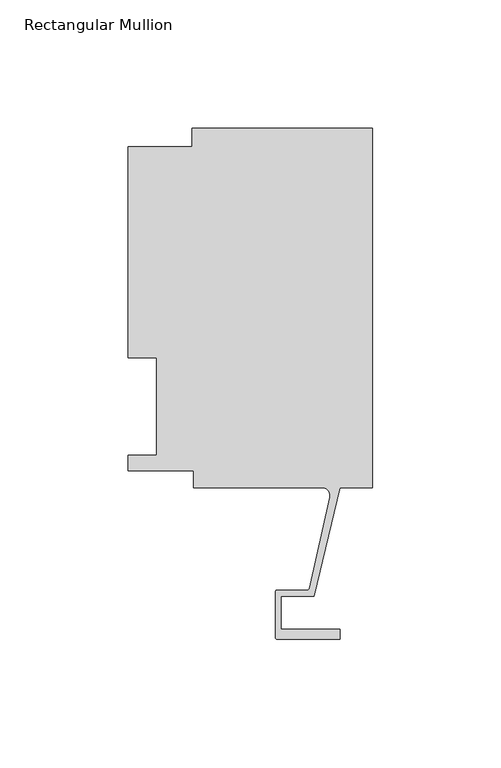
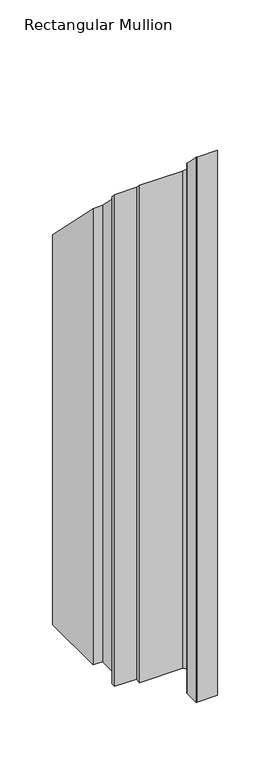
"""IFC4 building model written with IfcOpenShell, lengths in millimetres: member geometry, Rectangular Mullion."""

import ifcopenshell
import ifcopenshell.guid

model = None  # the IFC model being written
_history = None  # IfcOwnerHistory: only IFC2X3 demands one
_inside = {}  # id of a spatial element -> (the spatial element, [elements in it])
_under = {}  # id of a project, library or spatial element -> (it, [spatial elements below it])
_declared = {}  # id of a project -> (the project, [libraries it declares])
_typed = {}  # id of a type object -> (the type object, [elements of that type])
_made_of = {}  # id of a material, layer set ... -> (it, [elements and type objects made of it])


def new_model(schema):
    """Start an empty IFC model of exactly this schema.

    Asked for "IFC4X3", IfcOpenShell would pick the latest addendum, in which some entities
    have other attributes; the version numbers below select the first issue.
    IFC2X3 requires an IfcOwnerHistory on every rooted entity: one is made here for all.
    """
    global model, _history
    if schema == "IFC4X3":
        model = ifcopenshell.file(schema_version=(4, 3, 0, 0))
    else:
        model = ifcopenshell.file(schema=schema)
    _inside.clear()
    _under.clear()
    _declared.clear()
    _typed.clear()
    _made_of.clear()
    _history = None
    if model.schema == "IFC2X3":
        org = make("IfcOrganization", Name="unknown")
        user = make(
            "IfcPersonAndOrganization",
            ThePerson=make("IfcPerson", FamilyName="unknown"),
            TheOrganization=org,
        )
        app = make(
            "IfcApplication",
            ApplicationDeveloper=org,
            Version="unknown",
            ApplicationFullName="unknown",
            ApplicationIdentifier="unknown",
        )
        _history = make(
            "IfcOwnerHistory",
            OwningUser=user,
            OwningApplication=app,
            ChangeAction="ADDED",
            CreationDate=0,
        )
    return model


def make(cls, **values):
    """One entity of the class cls with the attributes given. An attribute that is None is left unset."""
    return model.create_entity(
        cls, **{name: value for name, value in values.items() if value is not None}
    )


def rooted(cls, **values):
    """An entity with a GlobalId (a new one), such as an element, a storey or a relation."""
    return make(cls, GlobalId=ifcopenshell.guid.new(), OwnerHistory=_history, **values)


def si_unit(unit_type, name, prefix=None):
    """IfcSIUnit, for example si_unit("LENGTHUNIT", "METRE", prefix="MILLI")."""
    return make("IfcSIUnit", UnitType=unit_type, Prefix=prefix, Name=name)


def assignment(units):
    """IfcUnitAssignment: the units of a project."""
    return None if units is None else make("IfcUnitAssignment", Units=units)


def point(xyz):
    """IfcCartesianPoint."""
    return None if xyz is None else make("IfcCartesianPoint", Coordinates=xyz)


def direction(xyz):
    """IfcDirection."""
    return None if xyz is None else make("IfcDirection", DirectionRatios=xyz)


def frame(location, z_axis=None, x_axis=None):
    """IfcAxis2Placement3D, a coordinate frame: its origin and axes. An axis left out is left unset."""
    return make(
        "IfcAxis2Placement3D",
        Location=point(location),
        Axis=direction(z_axis),
        RefDirection=direction(x_axis),
    )


def origin():
    """The frame at (0, 0, 0) with its axes left unset."""
    return frame((0.0, 0.0, 0.0))


def place(relative_to, where):
    """IfcLocalPlacement: puts the frame where relative to a parent placement (None: the world)."""
    return make(
        "IfcLocalPlacement", PlacementRelTo=relative_to, RelativePlacement=where
    )


def context(
    kind, dimensions, precision=None, world=None, true_north=None, identifier=None
):
    """IfcGeometricRepresentationContext, for example the 3D "Model" context."""
    return make(
        "IfcGeometricRepresentationContext",
        ContextIdentifier=identifier,
        ContextType=kind,
        CoordinateSpaceDimension=dimensions,
        Precision=precision,
        WorldCoordinateSystem=world,
        TrueNorth=true_north,
    )


def project(units=None, contexts=None):
    """IfcProject with its units and contexts."""
    return rooted(
        "IfcProject",
        Name="project",
        RepresentationContexts=contexts,
        UnitsInContext=assignment(units),
    )


def spatial(cls, under=None, at=None, **own):
    """A site, building, storey or space (cls), placed at a placement, below another one or the project."""
    s = rooted(cls, ObjectPlacement=at, **own)
    if under is not None:
        _under.setdefault(under.id(), (under, []))[1].append(s)
    return s


def polyline(points):
    """IfcPolyline through the points."""
    return make("IfcPolyline", Points=[point(p) for p in points])


def circle_curve(where, radius):
    """IfcCircle in the frame where."""
    return make("IfcCircle", Position=where, Radius=radius)


def ellipse_curve(where, semi_axis1, semi_axis2):
    """IfcEllipse in the frame where."""
    return make(
        "IfcEllipse", Position=where, SemiAxis1=semi_axis1, SemiAxis2=semi_axis2
    )


def shape(context_of_items, identifier, shape_type, items):
    """IfcShapeRepresentation: the items that make up one representation, for example the "Body"."""
    return make(
        "IfcShapeRepresentation",
        ContextOfItems=context_of_items,
        RepresentationIdentifier=identifier,
        RepresentationType=shape_type,
        Items=items,
    )


def source(mapping_origin, context_of_items, identifier, shape_type, items):
    """IfcRepresentationMap: a shape defined once, which mapped items show again and again."""
    return make(
        "IfcRepresentationMap",
        MappingOrigin=mapping_origin,
        MappedRepresentation=shape(context_of_items, identifier, shape_type, items),
    )


def transform(
    local_origin,
    x_axis=None,
    y_axis=None,
    z_axis=None,
    scale=None,
    scale2=None,
    scale3=None,
    uniform=True,
):
    """IfcCartesianTransformationOperator3D, or its non-uniform kind. x_axis, y_axis, z_axis: its Axis1, 2, 3."""
    if uniform:
        return make(
            "IfcCartesianTransformationOperator3D",
            Axis1=direction(x_axis),
            Axis2=direction(y_axis),
            LocalOrigin=point(local_origin),
            Scale=scale,
            Axis3=direction(z_axis),
        )
    return make(
        "IfcCartesianTransformationOperator3DnonUniform",
        Axis1=direction(x_axis),
        Axis2=direction(y_axis),
        LocalOrigin=point(local_origin),
        Scale=scale,
        Axis3=direction(z_axis),
        Scale2=scale2,
        Scale3=scale3,
    )


def mapped(mapping_source, mapping_target):
    """IfcMappedItem: shows the shape of a source again, moved by a transform."""
    return make(
        "IfcMappedItem", MappingSource=mapping_source, MappingTarget=mapping_target
    )


def made_of(thing, what):
    """Note that an element or type object is made of a material, layer set ...; save() writes the relation."""
    if what is not None:
        _made_of.setdefault(what.id(), (what, []))[1].append(thing)
    return thing


def element(
    cls,
    number,
    at=None,
    inside=None,
    cuts=None,
    type_object=None,
    material=None,
    context=None,
    identifier="Body",
    shape_type=None,
    held_by="IfcProductDefinitionShape",
    body=None,
    shapes=None,
    **own,
):
    """One element of the class cls, such as IfcWall. Its Tag is "e" and its number.

    at: its placement. inside: the storey or other place that contains it. cuts: it is an
    opening in that element (IfcRelVoidsElement). A single representation is given by context,
    identifier, shape_type and body (its items); several are given by shapes. held_by: the class
    of the entity that holds the representations. save() writes the other relations.
    """
    e = rooted(cls, Tag="e%d" % number, ObjectPlacement=at, **own)
    if body is not None:
        shapes = [shape(context, identifier, shape_type, body)]
    if shapes is not None:
        e.Representation = make(held_by, Representations=shapes)
    if inside is not None:
        _inside.setdefault(inside.id(), (inside, []))[1].append(e)
    if cuts is not None:
        rooted(
            "IfcRelVoidsElement", RelatingBuildingElement=cuts, RelatedOpeningElement=e
        )
    if type_object is not None:
        _typed.setdefault(type_object.id(), (type_object, []))[1].append(e)
    return made_of(e, material)


def aggregate(whole, parts):
    """IfcRelAggregates: a whole, such as a stair, and the parts it consists of."""
    return rooted("IfcRelAggregates", RelatingObject=whole, RelatedObjects=parts)


def save(model, path):
    """Write the relations noted so far, then the file.

    IfcRelAggregates (storeys below a building ...), IfcRelContainedInSpatialStructure (elements
    in a storey), IfcRelDefinesByType, IfcRelAssociatesMaterial and IfcRelDeclares: one each for
    every whole, place, type object, material and project.
    """
    for whole, parts in _under.values():
        aggregate(whole, parts)
    for where, things in _inside.values():
        rooted(
            "IfcRelContainedInSpatialStructure",
            RelatedElements=things,
            RelatingStructure=where,
        )
    for kind, things in _typed.values():
        rooted("IfcRelDefinesByType", RelatedObjects=things, RelatingType=kind)
    for what, things in _made_of.values():
        rooted("IfcRelAssociatesMaterial", RelatedObjects=things, RelatingMaterial=what)
    for by, libraries in _declared.values():
        rooted("IfcRelDeclares", RelatingContext=by, RelatedDefinitions=libraries)
    model.write(path)


def plane_surface(at):
    """IfcPlane: the flat surface through the origin of the frame at, square to its z axis."""
    return make("IfcPlane", Position=at)


def cylinder_surface(at, radius):
    """IfcCylindricalSurface: all points at the distance radius from the z axis of the frame at."""
    return make("IfcCylindricalSurface", Position=at, Radius=radius)


def revolved_surface(curve, axis_point, axis_direction):
    """IfcSurfaceOfRevolution: the curve turned about the line through axis_point along axis_direction."""
    return make(
        "IfcSurfaceOfRevolution",
        SweptCurve=make("IfcArbitraryOpenProfileDef", ProfileType="CURVE", Curve=curve),
        AxisPosition=make("IfcAxis1Placement", Location=point(axis_point), Axis=direction(axis_direction)),
    )


def advanced_brep(points, edges, surfaces, faces):
    """IfcAdvancedBrep: a solid bounded by faces that lie on surfaces and meet in shared edges.

    An edge is (start, end): straight between two places in points (the first is 0);
    or (start, end, curve); or (start, end, curve, False) where it runs against its curve.
    A face is (place in surfaces, loops), or (place, loops, False) where it looks against
    its surface's normal. A loop lists edges by number (the first is 1), with a minus sign
    where the edge is run from its end to its start. The first loop is the outer one.
    """
    corners = [point(p) for p in points]
    vertices = [make("IfcVertexPoint", VertexGeometry=c) for c in corners]
    made = []
    for start, end, *more in edges:
        made.append(
            make(
                "IfcEdgeCurve",
                EdgeStart=vertices[start],
                EdgeEnd=vertices[end],
                EdgeGeometry=more[0] if more else make("IfcPolyline", Points=[corners[start], corners[end]]),
                SameSense=more[1] if len(more) > 1 else True,
            )
        )
    hull = []
    for where, loops, *sense in faces:
        bounds = []
        for j, loop in enumerate(loops):
            ring = [make("IfcOrientedEdge", EdgeElement=made[abs(k) - 1], Orientation=k > 0) for k in loop]
            bounds.append(
                make(
                    "IfcFaceOuterBound" if j == 0 else "IfcFaceBound",
                    Bound=make("IfcEdgeLoop", EdgeList=ring),
                    Orientation=True,
                )
            )
        hull.append(make("IfcAdvancedFace", Bounds=bounds, FaceSurface=surfaces[where], SameSense=sense[0] if sense else True))
    return make("IfcAdvancedBrep", Outer=make("IfcClosedShell", CfsFaces=hull))


def rectangular_mullion_c2098d15(model_context):
    return source(origin(), model_context, "Body", "AdvancedBrep", [
        advanced_brep(
        [(-70.3072, 133.731, -609.6), (0.0, 133.731, -609.6), (0.0, -6.2260967, -609.6), (-12.7, -6.2260967, -609.6), (-22.7594087, -48.4979562, -609.6), (-35.5718677, -48.4979562, -609.6), (-35.5718677, -61.4061977, -609.6), (-12.7611926, -61.4061977, -609.6), (-12.7611926, -65.3939977, -609.6), (-37.0704677, -65.3939977, -609.6), (-37.8578677, -64.6065977, -609.6), (-37.8578677, -46.9739562, -609.6), (-37.0958677, -46.2119562, -609.6), (-25.3893173, -46.2119562, -609.6), (-24.6514289, -45.6401264, -609.6), (-16.585275, -10.1038947, -609.6), (-19.681515, -6.2260979, -609.6), (-69.85, -6.2260979, -609.6), (-69.85, 0.4064, -609.6), (-95.25, 0.4064, -609.6), (-95.25, 6.35, -609.6), (-84.1375, 6.35, -609.6), (-84.1375, 44.45, -609.6), (-95.25, 44.45, -609.6), (-95.25, 126.619, -609.6), (-70.3072, 126.619, -609.6), (-70.3072, 126.619, -126.619), (-70.3072, 133.731, -133.731), (-95.25, 126.619, -126.619), (-95.25, 44.45, -44.45), (-84.1375, 44.45, -44.45), (-84.1375, 6.35, -6.35), (-95.25, 6.35, -6.35), (-95.25, 0.4064, -0.4064), (-69.85, 0.4064, -0.4064), (-69.85, -6.2260979, 6.2260979), (-19.681515, -6.2260979, 6.2260979), (-16.585275, -10.1038947, 10.1038947), (-24.6514289, -45.6401264, 45.6401264), (-25.3893173, -46.2119562, 46.2119562), (-37.0958677, -46.2119562, 46.2119562), (-37.8578677, -46.9739562, 46.9739562), (-37.8578677, -64.6065977, 64.6065977), (-37.0704677, -65.3939977, 65.3939977), (-12.7611926, -65.3939977, 65.3939977), (-12.7611926, -61.4061977, 61.4061977), (-35.5718677, -61.4061977, 61.4061977), (-35.5718677, -48.4979562, 48.4979562), (-22.7594087, -48.4979562, 48.4979562), (-12.7, -6.2260967, 6.2260967), (0.0, -6.2260967, 6.2260967), (0.0, 133.731, -133.731)],
        [
            (0, 1),
            (1, 2),
            (2, 3),
            (3, 4),
            (4, 5),
            (5, 6),
            (6, 7),
            (7, 8),
            (8, 9),
            (9, 10, circle_curve(frame((-37.0704677, -64.6065977, -609.6), z_axis=(0.0, 0.0, -1.0), x_axis=(0.0, 1.0, 0.0)), 0.7874)),
            (10, 11),
            (11, 12, circle_curve(frame((-37.0958677, -46.9739562, -609.6), z_axis=(0.0, 0.0, -1.0), x_axis=(0.0, 1.0, 0.0)), 0.762)),
            (12, 13),
            (13, 14, circle_curve(frame((-25.3679884, -45.4774789, -609.6), z_axis=(0.0, 0.0, 1.0), x_axis=(0.0, 1.0, 0.0)), 0.7347869)),
            (14, 15),
            (15, 16, circle_curve(frame((-19.681515, -9.4010979, -609.6), z_axis=(0.0, 0.0, 1.0), x_axis=(0.0, 1.0, 0.0)), 3.175)),
            (16, 17),
            (17, 18),
            (18, 19),
            (19, 20),
            (20, 21),
            (21, 22),
            (22, 23),
            (23, 24),
            (24, 25),
            (25, 0),
            (26, 27),
            (27, 0),
            (25, 26),
            (28, 26),
            (24, 28),
            (29, 28),
            (23, 29),
            (30, 29),
            (22, 30),
            (31, 30),
            (21, 31),
            (32, 31),
            (20, 32),
            (33, 32),
            (19, 33),
            (34, 33),
            (18, 34),
            (35, 34),
            (17, 35),
            (36, 35),
            (16, 36),
            (37, 36, ellipse_curve(frame((-19.681515, -9.4010979, 9.4010979), z_axis=(0.0, 0.7071067811865471, 0.707106781186548), x_axis=(0.0, 0.707106781186548, -0.707106781186547)), 4.4901281, 3.175)),
            (15, 37),
            (38, 37),
            (14, 38),
            (39, 38, ellipse_curve(frame((-25.3679884, -45.4774789, 45.4774789), z_axis=(0.0, 0.7071067811865471, 0.707106781186548), x_axis=(0.0, 0.707106781186548, -0.707106781186547)), 1.0391456, 0.7347869)),
            (13, 39),
            (40, 39),
            (12, 40),
            (41, 40, ellipse_curve(frame((-37.0958677, -46.9739562, 46.9739562), z_axis=(0.0, -0.7071067811865471, -0.707106781186548), x_axis=(0.0, -0.707106781186548, 0.707106781186547)), 1.0776307, 0.762)),
            (11, 41),
            (42, 41),
            (10, 42),
            (43, 42, ellipse_curve(frame((-37.0704677, -64.6065977, 64.6065977), z_axis=(0.0, -0.7071067811865471, -0.707106781186548), x_axis=(0.0, -0.707106781186548, 0.707106781186547)), 1.1135518, 0.7874)),
            (9, 43),
            (44, 43),
            (8, 44),
            (45, 44),
            (7, 45),
            (46, 45),
            (6, 46),
            (47, 46),
            (5, 47),
            (48, 47),
            (4, 48),
            (49, 48),
            (3, 49),
            (50, 49),
            (2, 50),
            (51, 50),
            (1, 51),
            (27, 51),
        ],
        [
            plane_surface(frame((0.0, -158.4453649, -609.6), z_axis=(0.0, 0.0, -1.0), x_axis=(-1.0, 0.0, 0.0))),
            plane_surface(frame((-70.3072, 133.731, 0.0), z_axis=(-1.0, 0.0, 0.0), x_axis=(0.0, 0.0, -1.0))),
            plane_surface(frame((-70.3072, 126.619, 0.0), z_axis=(0.0, 1.0, 0.0), x_axis=(0.0, 0.0, -1.0))),
            plane_surface(frame((-95.25, 126.619, 0.0), z_axis=(-1.0, 0.0, 0.0), x_axis=(0.0, 0.0, -1.0))),
            plane_surface(frame((-95.25, 44.45, 0.0), z_axis=(0.0, -1.0, 0.0), x_axis=(0.0, 0.0, -1.0))),
            plane_surface(frame((-84.1375, 44.45, 0.0), z_axis=(-1.0, 0.0, 0.0), x_axis=(0.0, 0.0, -1.0))),
            plane_surface(frame((-84.1375, 6.35, 0.0), z_axis=(0.0, 1.0, 0.0), x_axis=(0.0, 0.0, -1.0))),
            plane_surface(frame((-95.25, 6.35, 0.0), z_axis=(-1.0, 0.0, 0.0), x_axis=(0.0, 0.0, -1.0))),
            plane_surface(frame((-95.25, 0.4064, 0.0), z_axis=(0.0, -1.0, 0.0), x_axis=(0.0, 0.0, -1.0))),
            plane_surface(frame((-69.85, 0.4064, 0.0), z_axis=(-1.0, 0.0, 0.0), x_axis=(0.0, 0.0, -1.0))),
            plane_surface(frame((-69.85, -6.2260979, 0.0), z_axis=(0.0, -1.0, 0.0), x_axis=(0.0, 0.0, -1.0))),
            revolved_surface(polyline([(-19.681515, -6.2260979, -609.6), (-19.681515, -6.2260979, 12.576097927906266)]), (-19.681515, -9.4010979, 0.0), (0.0, 0.0, -1.0)),
            plane_surface(frame((-16.585275, -10.1038947, 0.0), z_axis=(-0.9751936808086203, 0.22135330336576153, 0.0), x_axis=(0.0, 0.0, -1.0))),
            revolved_surface(polyline([(-25.3679884, -44.742692, -609.6), (-25.3679884, -44.742692, 46.21226580040016)]), (-25.3679884, -45.4774789, 0.0), (0.0, 0.0, -1.0)),
            plane_surface(frame((-25.3893173, -46.2119562, 0.0), z_axis=(0.0, 1.0, 0.0), x_axis=(0.0, 0.0, -1.0))),
            cylinder_surface(frame((-37.0958677, -46.9739562, 0.0), z_axis=(0.0, 0.0, 1.0), x_axis=(0.0, 1.0, 0.0)), 0.762),
            plane_surface(frame((-37.8578677, -46.9739562, 0.0), z_axis=(-1.0, 0.0, 0.0), x_axis=(0.0, 0.0, -1.0))),
            cylinder_surface(frame((-37.0704677, -64.6065977, 0.0), z_axis=(0.0, 0.0, 1.0), x_axis=(0.0, 1.0, 0.0)), 0.7874),
            plane_surface(frame((-37.0704677, -65.3939977, 0.0), z_axis=(0.0, -1.0, 0.0), x_axis=(0.0, 0.0, -1.0))),
            plane_surface(frame((-12.7611926, -65.3939977, 0.0), z_axis=(1.0, 0.0, 0.0), x_axis=(0.0, 0.0, -1.0))),
            plane_surface(frame((-12.7611926, -61.4061977, 0.0), z_axis=(0.0, 1.0, 0.0), x_axis=(0.0, 0.0, -1.0))),
            plane_surface(frame((-35.5718677, -61.4061977, 0.0), z_axis=(1.0, 0.0, 0.0), x_axis=(0.0, 0.0, -1.0))),
            plane_surface(frame((-35.5718677, -48.4979562, 0.0), z_axis=(0.0, -1.0, 0.0), x_axis=(0.0, 0.0, -1.0))),
            plane_surface(frame((-22.7594087, -48.4979562, 0.0), z_axis=(0.972833793207084, -0.23150466689532792, 0.0), x_axis=(0.0, 0.0, -1.0))),
            plane_surface(frame((-12.7, -6.2260967, 0.0), z_axis=(0.0, -1.0, 0.0), x_axis=(0.0, 0.0, -1.0))),
            plane_surface(frame((0.0, -6.2260967, 0.0), z_axis=(1.0, 0.0, 0.0), x_axis=(0.0, 0.0, -1.0))),
            plane_surface(frame((0.0, 133.731, 0.0), z_axis=(0.0, 1.0, 0.0), x_axis=(0.0, 0.0, -1.0))),
            plane_surface(frame((-304.8, 0.0, 0.0), z_axis=(0.0, 0.7071067811865471, 0.707106781186548), x_axis=(0.0, 0.707106781186548, -0.7071067811865471))),
        ],
        [
            (0, [[1, 2, 3, 4, 5, 6, 7, 8, 9, 10, 11, 12, 13, 14, 15, 16, 17, 18, 19, 20, 21, 22, 23, 24, 25, 26]]),
            (1, [[27, 28, -26, 29]]),
            (2, [[30, -29, -25, 31]]),
            (3, [[32, -31, -24, 33]]),
            (4, [[34, -33, -23, 35]]),
            (5, [[36, -35, -22, 37]]),
            (6, [[38, -37, -21, 39]]),
            (7, [[40, -39, -20, 41]]),
            (8, [[42, -41, -19, 43]]),
            (9, [[44, -43, -18, 45]]),
            (10, [[46, -45, -17, 47]]),
            (11, [[48, -47, -16, 49]]),
            (12, [[50, -49, -15, 51]]),
            (13, [[52, -51, -14, 53]]),
            (14, [[54, -53, -13, 55]]),
            (15, [[56, -55, -12, 57]]),
            (16, [[58, -57, -11, 59]]),
            (17, [[60, -59, -10, 61]]),
            (18, [[62, -61, -9, 63]]),
            (19, [[64, -63, -8, 65]]),
            (20, [[66, -65, -7, 67]]),
            (21, [[68, -67, -6, 69]]),
            (22, [[70, -69, -5, 71]]),
            (23, [[72, -71, -4, 73]]),
            (24, [[74, -73, -3, 75]]),
            (25, [[76, -75, -2, 77]]),
            (26, [[78, -77, -1, -28]]),
            (27, [[-27, -30, -32, -34, -36, -38, -40, -42, -44, -46, -48, -50, -52, -54, -56, -58, -60, -62, -64, -66, -68, -70, -72, -74, -76, -78]]),
        ],
    ),
    ])


if __name__ == "__main__":
    model = new_model("IFC4")
    model_context = context("Model", 3, world=origin())
    ifc_project = project(units=[si_unit("LENGTHUNIT", "METRE", prefix="MILLI")], contexts=[model_context])
    site = spatial("IfcSite", under=ifc_project)
    building = spatial("IfcBuilding", under=site)
    placement = place(None, origin())
    rectangular_mullion_shape = rectangular_mullion_c2098d15(model_context)
    element("IfcMember", 1, ObjectType="Rectangular Mullion", at=placement, inside=building, context=model_context, shape_type="MappedRepresentation", body=[
        mapped(rectangular_mullion_shape, transform((0.0, 0.0, 0.0), x_axis=(1.0, 0.0, 0.0), y_axis=(0.0, 1.0, 0.0), z_axis=(0.0, 0.0, 1.0))),
    ])
    save(model, "model.ifc")
